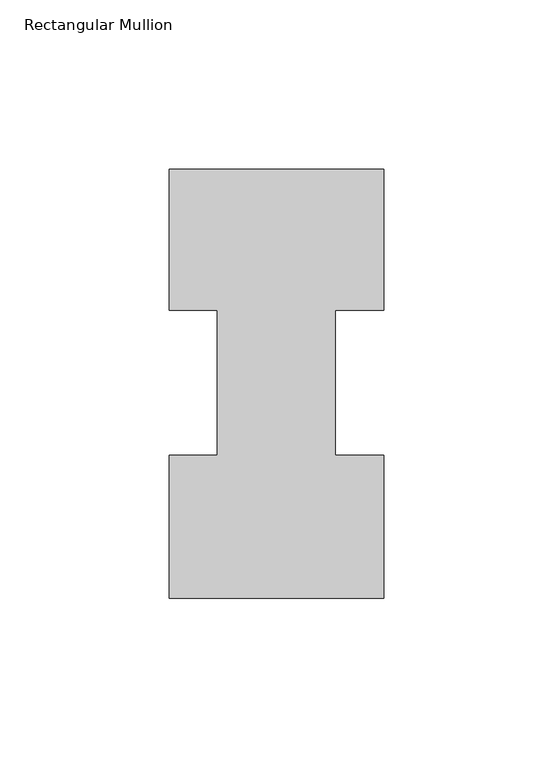
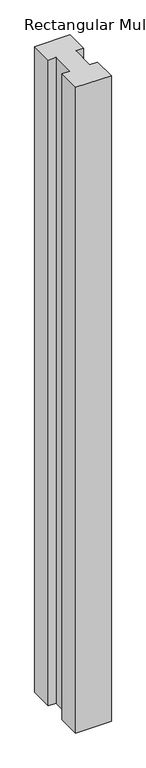
"""IFC4 building model written with IfcOpenShell, lengths in millimetres: member geometry, Rectangular Mullion."""

from ifc_helpers import new_model, si_unit, frame, origin, place, context, project, spatial, polyline, outline, extrude, source, transform, mapped, element, save


def rectangular_mullion_7fb0f9f3(model_context):
    return source(origin(), model_context, "Body", "SweptSolid", [
        extrude(outline(polyline([(-31.75, 126.9888875), (31.75, 126.9888875), (31.75, 85.1296875), (17.5062018, 85.1296875), (17.5062018, 42.2798875), (31.75, 42.2798875), (31.75, -0.0111125), (-31.75, -0.0111125), (-31.75, 42.2798875), (-17.4771974, 42.2798875), (-17.4771974, 85.1296875), (-31.75, 85.1296875), (-31.75, 126.9888875)])), frame((0.0, 0.0, -1219.2), z_axis=(0.0, 0.0, 1.0), x_axis=(1.0, 0.0, 0.0)), (0.0, 0.0, 1.0), 1219.2),
    ])


if __name__ == "__main__":
    model = new_model("IFC4")
    model_context = context("Model", 3, world=origin())
    ifc_project = project(units=[si_unit("LENGTHUNIT", "METRE", prefix="MILLI")], contexts=[model_context])
    site = spatial("IfcSite", under=ifc_project)
    building = spatial("IfcBuilding", under=site)
    placement = place(None, origin())
    rectangular_mullion_shape = rectangular_mullion_7fb0f9f3(model_context)
    element("IfcMember", 1, ObjectType="Rectangular Mullion", at=placement, inside=building, context=model_context, shape_type="MappedRepresentation", body=[
        mapped(rectangular_mullion_shape, transform((0.0, 0.0, 0.0), x_axis=(1.0, 0.0, 0.0), y_axis=(0.0, 1.0, 0.0), z_axis=(0.0, 0.0, 1.0))),
    ])
    save(model, "model.ifc")
